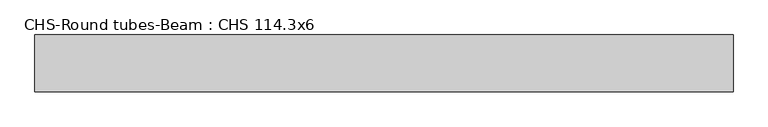
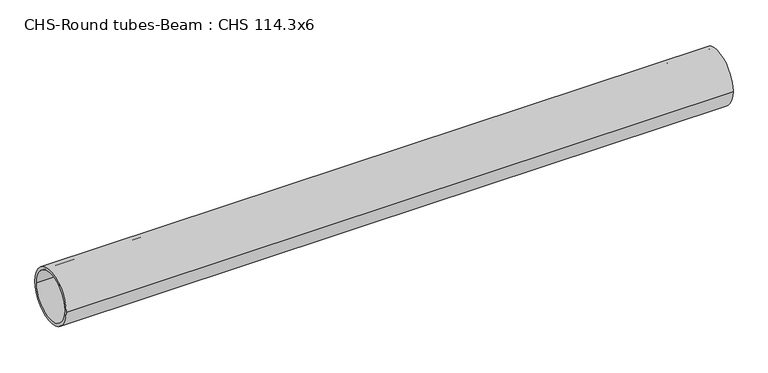
"""IFC4 building model written with IfcOpenShell, lengths in millimetres: beam geometry, CHS-Round tubes-Beam : CHS 114.3x6."""

from ifc_helpers import new_model, si_unit, point, frame, origin, origin_2d, place, context, project, spatial, circle_curve, trimmed, segment, composite_curve, outline, extrude, source, transform, mapped, element, save


def chs_round_tubes_beam_chs_114_3x6_c807010f(model_context):
    return source(origin(), model_context, "Body", "SweptSolid", [
        extrude(outline(composite_curve([segment(trimmed(circle_curve(origin_2d(), 57.15), [point((57.15, 0.0))], [point((-57.15, 0.0))], False, "CARTESIAN"), True, "CONTINUOUS"), segment(trimmed(circle_curve(origin_2d(), 57.15), [point((-57.15, 0.0))], [point((57.15, 0.0))], False, "CARTESIAN"), True, "CONTINUOUS")], self_intersect=False), holes=[composite_curve([segment(trimmed(circle_curve(origin_2d(), 51.15), [point((51.15, 0.0))], [point((-51.15, 0.0))], True, "CARTESIAN"), True, "CONTINUOUS"), segment(trimmed(circle_curve(origin_2d(), 51.15), [point((-51.15, 0.0))], [point((51.15, 0.0))], True, "CARTESIAN"), True, "CONTINUOUS")], self_intersect=False)]), frame((-774.4782197, 0.0, 0.0), z_axis=(1.0, 0.0, 0.0), x_axis=(0.0, 1.0, 0.0)), (0.0, 0.0, 1.0), 1403.5578661),
    ])


if __name__ == "__main__":
    model = new_model("IFC4")
    model_context = context("Model", 3, world=origin())
    ifc_project = project(units=[si_unit("LENGTHUNIT", "METRE", prefix="MILLI")], contexts=[model_context])
    site = spatial("IfcSite", under=ifc_project)
    building = spatial("IfcBuilding", under=site)
    placement = place(None, origin())
    chs_round_tubes_beam_chs_114_3x6_shape = chs_round_tubes_beam_chs_114_3x6_c807010f(model_context)
    element("IfcBeam", 1, ObjectType="CHS-Round tubes-Beam : CHS 114.3x6", at=placement, inside=building, context=model_context, shape_type="MappedRepresentation", body=[
        mapped(chs_round_tubes_beam_chs_114_3x6_shape, transform((0.0, 0.0, 0.0), x_axis=(1.0, 0.0, 0.0), y_axis=(0.0, 1.0, 0.0), z_axis=(0.0, 0.0, 1.0))),
    ])
    save(model, "model.ifc")
